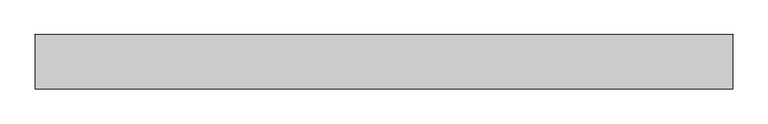
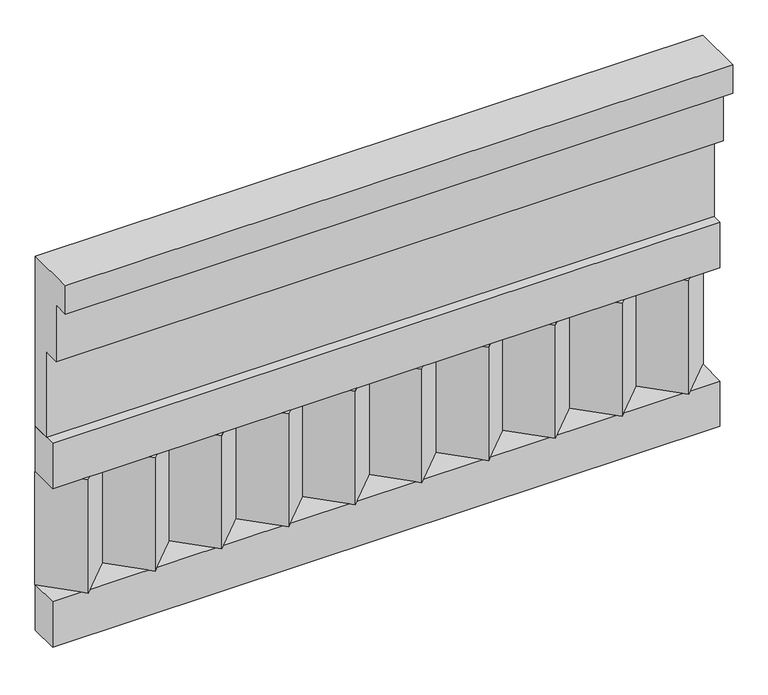
"""IFC4 building model written with IfcOpenShell, lengths in millimetres: railing geometry."""

import ifcopenshell
import ifcopenshell.guid

model = None  # the IFC model being written
_history = None  # IfcOwnerHistory: only IFC2X3 demands one
_inside = {}  # id of a spatial element -> (the spatial element, [elements in it])
_under = {}  # id of a project, library or spatial element -> (it, [spatial elements below it])
_declared = {}  # id of a project -> (the project, [libraries it declares])
_typed = {}  # id of a type object -> (the type object, [elements of that type])
_made_of = {}  # id of a material, layer set ... -> (it, [elements and type objects made of it])


def new_model(schema):
    """Start an empty IFC model of exactly this schema.

    Asked for "IFC4X3", IfcOpenShell would pick the latest addendum, in which some entities
    have other attributes; the version numbers below select the first issue.
    IFC2X3 requires an IfcOwnerHistory on every rooted entity: one is made here for all.
    """
    global model, _history
    if schema == "IFC4X3":
        model = ifcopenshell.file(schema_version=(4, 3, 0, 0))
    else:
        model = ifcopenshell.file(schema=schema)
    _inside.clear()
    _under.clear()
    _declared.clear()
    _typed.clear()
    _made_of.clear()
    _history = None
    if model.schema == "IFC2X3":
        org = make("IfcOrganization", Name="unknown")
        user = make(
            "IfcPersonAndOrganization",
            ThePerson=make("IfcPerson", FamilyName="unknown"),
            TheOrganization=org,
        )
        app = make(
            "IfcApplication",
            ApplicationDeveloper=org,
            Version="unknown",
            ApplicationFullName="unknown",
            ApplicationIdentifier="unknown",
        )
        _history = make(
            "IfcOwnerHistory",
            OwningUser=user,
            OwningApplication=app,
            ChangeAction="ADDED",
            CreationDate=0,
        )
    return model


def make(cls, **values):
    """One entity of the class cls with the attributes given. An attribute that is None is left unset."""
    return model.create_entity(
        cls, **{name: value for name, value in values.items() if value is not None}
    )


def rooted(cls, **values):
    """An entity with a GlobalId (a new one), such as an element, a storey or a relation."""
    return make(cls, GlobalId=ifcopenshell.guid.new(), OwnerHistory=_history, **values)


def si_unit(unit_type, name, prefix=None):
    """IfcSIUnit, for example si_unit("LENGTHUNIT", "METRE", prefix="MILLI")."""
    return make("IfcSIUnit", UnitType=unit_type, Prefix=prefix, Name=name)


def assignment(units):
    """IfcUnitAssignment: the units of a project."""
    return None if units is None else make("IfcUnitAssignment", Units=units)


def point(xyz):
    """IfcCartesianPoint."""
    return None if xyz is None else make("IfcCartesianPoint", Coordinates=xyz)


def direction(xyz):
    """IfcDirection."""
    return None if xyz is None else make("IfcDirection", DirectionRatios=xyz)


def frame(location, z_axis=None, x_axis=None):
    """IfcAxis2Placement3D, a coordinate frame: its origin and axes. An axis left out is left unset."""
    return make(
        "IfcAxis2Placement3D",
        Location=point(location),
        Axis=direction(z_axis),
        RefDirection=direction(x_axis),
    )


def origin():
    """The frame at (0, 0, 0) with its axes left unset."""
    return frame((0.0, 0.0, 0.0))


def place(relative_to, where):
    """IfcLocalPlacement: puts the frame where relative to a parent placement (None: the world)."""
    return make(
        "IfcLocalPlacement", PlacementRelTo=relative_to, RelativePlacement=where
    )


def context(
    kind, dimensions, precision=None, world=None, true_north=None, identifier=None
):
    """IfcGeometricRepresentationContext, for example the 3D "Model" context."""
    return make(
        "IfcGeometricRepresentationContext",
        ContextIdentifier=identifier,
        ContextType=kind,
        CoordinateSpaceDimension=dimensions,
        Precision=precision,
        WorldCoordinateSystem=world,
        TrueNorth=true_north,
    )


def project(units=None, contexts=None):
    """IfcProject with its units and contexts."""
    return rooted(
        "IfcProject",
        Name="project",
        RepresentationContexts=contexts,
        UnitsInContext=assignment(units),
    )


def spatial(cls, under=None, at=None, **own):
    """A site, building, storey or space (cls), placed at a placement, below another one or the project."""
    s = rooted(cls, ObjectPlacement=at, **own)
    if under is not None:
        _under.setdefault(under.id(), (under, []))[1].append(s)
    return s


def polyline(points):
    """IfcPolyline through the points."""
    return make("IfcPolyline", Points=[point(p) for p in points])


def outline(outer, holes=None, kind="AREA"):
    """IfcArbitraryClosedProfileDef: a profile drawn as a closed curve; with holes, ...WithVoids."""
    if holes is None:
        return make("IfcArbitraryClosedProfileDef", ProfileType=kind, OuterCurve=outer)
    return make(
        "IfcArbitraryProfileDefWithVoids",
        ProfileType=kind,
        OuterCurve=outer,
        InnerCurves=holes,
    )


def extrude(swept, where, along, depth):
    """IfcExtrudedAreaSolid: the profile swept, set in the frame where, extruded along a direction by depth."""
    return make(
        "IfcExtrudedAreaSolid",
        SweptArea=swept,
        Position=where,
        ExtrudedDirection=direction(along),
        Depth=depth,
    )


def shape(context_of_items, identifier, shape_type, items):
    """IfcShapeRepresentation: the items that make up one representation, for example the "Body"."""
    return make(
        "IfcShapeRepresentation",
        ContextOfItems=context_of_items,
        RepresentationIdentifier=identifier,
        RepresentationType=shape_type,
        Items=items,
    )


def source(mapping_origin, context_of_items, identifier, shape_type, items):
    """IfcRepresentationMap: a shape defined once, which mapped items show again and again."""
    return make(
        "IfcRepresentationMap",
        MappingOrigin=mapping_origin,
        MappedRepresentation=shape(context_of_items, identifier, shape_type, items),
    )


def transform(
    local_origin,
    x_axis=None,
    y_axis=None,
    z_axis=None,
    scale=None,
    scale2=None,
    scale3=None,
    uniform=True,
):
    """IfcCartesianTransformationOperator3D, or its non-uniform kind. x_axis, y_axis, z_axis: its Axis1, 2, 3."""
    if uniform:
        return make(
            "IfcCartesianTransformationOperator3D",
            Axis1=direction(x_axis),
            Axis2=direction(y_axis),
            LocalOrigin=point(local_origin),
            Scale=scale,
            Axis3=direction(z_axis),
        )
    return make(
        "IfcCartesianTransformationOperator3DnonUniform",
        Axis1=direction(x_axis),
        Axis2=direction(y_axis),
        LocalOrigin=point(local_origin),
        Scale=scale,
        Axis3=direction(z_axis),
        Scale2=scale2,
        Scale3=scale3,
    )


def mapped(mapping_source, mapping_target):
    """IfcMappedItem: shows the shape of a source again, moved by a transform."""
    return make(
        "IfcMappedItem", MappingSource=mapping_source, MappingTarget=mapping_target
    )


def made_of(thing, what):
    """Note that an element or type object is made of a material, layer set ...; save() writes the relation."""
    if what is not None:
        _made_of.setdefault(what.id(), (what, []))[1].append(thing)
    return thing


def element(
    cls,
    number,
    at=None,
    inside=None,
    cuts=None,
    type_object=None,
    material=None,
    context=None,
    identifier="Body",
    shape_type=None,
    held_by="IfcProductDefinitionShape",
    body=None,
    shapes=None,
    **own,
):
    """One element of the class cls, such as IfcWall. Its Tag is "e" and its number.

    at: its placement. inside: the storey or other place that contains it. cuts: it is an
    opening in that element (IfcRelVoidsElement). A single representation is given by context,
    identifier, shape_type and body (its items); several are given by shapes. held_by: the class
    of the entity that holds the representations. save() writes the other relations.
    """
    e = rooted(cls, Tag="e%d" % number, ObjectPlacement=at, **own)
    if body is not None:
        shapes = [shape(context, identifier, shape_type, body)]
    if shapes is not None:
        e.Representation = make(held_by, Representations=shapes)
    if inside is not None:
        _inside.setdefault(inside.id(), (inside, []))[1].append(e)
    if cuts is not None:
        rooted(
            "IfcRelVoidsElement", RelatingBuildingElement=cuts, RelatedOpeningElement=e
        )
    if type_object is not None:
        _typed.setdefault(type_object.id(), (type_object, []))[1].append(e)
    return made_of(e, material)


def aggregate(whole, parts):
    """IfcRelAggregates: a whole, such as a stair, and the parts it consists of."""
    return rooted("IfcRelAggregates", RelatingObject=whole, RelatedObjects=parts)


def save(model, path):
    """Write the relations noted so far, then the file.

    IfcRelAggregates (storeys below a building ...), IfcRelContainedInSpatialStructure (elements
    in a storey), IfcRelDefinesByType, IfcRelAssociatesMaterial and IfcRelDeclares: one each for
    every whole, place, type object, material and project.
    """
    for whole, parts in _under.values():
        aggregate(whole, parts)
    for where, things in _inside.values():
        rooted(
            "IfcRelContainedInSpatialStructure",
            RelatedElements=things,
            RelatingStructure=where,
        )
    for kind, things in _typed.values():
        rooted("IfcRelDefinesByType", RelatedObjects=things, RelatingType=kind)
    for what, things in _made_of.values():
        rooted("IfcRelAssociatesMaterial", RelatedObjects=things, RelatingMaterial=what)
    for by, libraries in _declared.values():
        rooted("IfcRelDeclares", RelatingContext=by, RelatedDefinitions=libraries)
    model.write(path)


def railing_4b1b5ad8(model_context):
    return source(origin(), model_context, "Body", "SweptSolid", [
        extrude(outline(polyline([(-16816.8920513, 15200.0), (-16816.8920513, 14750.0), (-16866.8920513, 14750.0), (-16866.8920513, 14975.0), (-16906.8920513, 14975.0), (-16906.8920513, 15125.0), (-16946.8920513, 15125.0), (-16946.8920513, 15200.0), (-16816.8920513, 15200.0)])), frame((-33139.9887159, 0.0, 0.0), z_axis=(1.0, 0.0, 0.0), x_axis=(0.0, 1.0, 0.0)), (0.0, 0.0, 1.0), 1670.0),
        extrude(outline(polyline([(-33139.9887159, -16891.8920513), (-33139.9887159, -16816.8920513), (-31469.9887159, -16816.8920513), (-31469.9887159, -16891.8920513), (-33139.9887159, -16891.8920513)])), frame((0.0, 0.0, 14630.0), z_axis=(0.0, 0.0, 1.0), x_axis=(1.0, 0.0, 0.0)), (0.0, 0.0, 1.0), 120.0),
        extrude(outline(polyline([(-33139.9887159, -16891.8920513), (-33139.9887159, -16816.8920513), (-31469.9887159, -16816.8920513), (-31469.9887159, -16891.8920513), (-33139.9887159, -16891.8920513)])), frame((0.0, 0.0, 14210.0), z_axis=(0.0, 0.0, 1.0), x_axis=(1.0, 0.0, 0.0)), (0.0, 0.0, 1.0), 120.0),
        extrude(outline(polyline([(-31553.4887159, -16901.7448651), (-31638.3415296, -16816.8920513), (-31468.6359022, -16816.8920513), (-31553.4887159, -16901.7448651)])), frame((0.0, 0.0, 14330.0), z_axis=(0.0, 0.0, 1.0), x_axis=(1.0, 0.0, 0.0)), (0.0, 0.0, 1.0), 300.0),
        extrude(outline(polyline([(-31720.4887159, -16901.7448651), (-31805.3415296, -16816.8920513), (-31635.6359022, -16816.8920513), (-31720.4887159, -16901.7448651)])), frame((0.0, 0.0, 14330.0), z_axis=(0.0, 0.0, 1.0), x_axis=(1.0, 0.0, 0.0)), (0.0, 0.0, 1.0), 300.0),
        extrude(outline(polyline([(-31887.4887159, -16901.7448651), (-31972.3415296, -16816.8920513), (-31802.6359022, -16816.8920513), (-31887.4887159, -16901.7448651)])), frame((0.0, 0.0, 14330.0), z_axis=(0.0, 0.0, 1.0), x_axis=(1.0, 0.0, 0.0)), (0.0, 0.0, 1.0), 300.0),
        extrude(outline(polyline([(-32054.4887159, -16901.7448651), (-32139.3415296, -16816.8920513), (-31969.6359022, -16816.8920513), (-32054.4887159, -16901.7448651)])), frame((0.0, 0.0, 14330.0), z_axis=(0.0, 0.0, 1.0), x_axis=(1.0, 0.0, 0.0)), (0.0, 0.0, 1.0), 300.0),
        extrude(outline(polyline([(-32221.4887159, -16901.7448651), (-32306.3415296, -16816.8920513), (-32136.6359022, -16816.8920513), (-32221.4887159, -16901.7448651)])), frame((0.0, 0.0, 14330.0), z_axis=(0.0, 0.0, 1.0), x_axis=(1.0, 0.0, 0.0)), (0.0, 0.0, 1.0), 300.0),
        extrude(outline(polyline([(-32388.4887159, -16901.7448651), (-32473.3415296, -16816.8920513), (-32303.6359022, -16816.8920513), (-32388.4887159, -16901.7448651)])), frame((0.0, 0.0, 14330.0), z_axis=(0.0, 0.0, 1.0), x_axis=(1.0, 0.0, 0.0)), (0.0, 0.0, 1.0), 300.0),
        extrude(outline(polyline([(-32555.4887159, -16901.7448651), (-32640.3415296, -16816.8920513), (-32470.6359022, -16816.8920513), (-32555.4887159, -16901.7448651)])), frame((0.0, 0.0, 14330.0), z_axis=(0.0, 0.0, 1.0), x_axis=(1.0, 0.0, 0.0)), (0.0, 0.0, 1.0), 300.0),
        extrude(outline(polyline([(-32722.4887159, -16901.7448651), (-32807.3415296, -16816.8920513), (-32637.6359022, -16816.8920513), (-32722.4887159, -16901.7448651)])), frame((0.0, 0.0, 14330.0), z_axis=(0.0, 0.0, 1.0), x_axis=(1.0, 0.0, 0.0)), (0.0, 0.0, 1.0), 300.0),
        extrude(outline(polyline([(-32889.4887159, -16901.7448651), (-32974.3415296, -16816.8920513), (-32804.6359022, -16816.8920513), (-32889.4887159, -16901.7448651)])), frame((0.0, 0.0, 14330.0), z_axis=(0.0, 0.0, 1.0), x_axis=(1.0, 0.0, 0.0)), (0.0, 0.0, 1.0), 300.0),
        extrude(outline(polyline([(-33056.4887159, -16901.7448651), (-33141.3415296, -16816.8920513), (-32971.6359022, -16816.8920513), (-33056.4887159, -16901.7448651)])), frame((0.0, 0.0, 14330.0), z_axis=(0.0, 0.0, 1.0), x_axis=(1.0, 0.0, 0.0)), (0.0, 0.0, 1.0), 300.0),
    ])


if __name__ == "__main__":
    model = new_model("IFC4")
    model_context = context("Model", 3, world=origin())
    ifc_project = project(units=[si_unit("LENGTHUNIT", "METRE", prefix="MILLI")], contexts=[model_context])
    site = spatial("IfcSite", under=ifc_project)
    building = spatial("IfcBuilding", under=site)
    placement = place(None, origin())
    railing_shape = railing_4b1b5ad8(model_context)
    element("IfcRailing", 1, at=placement, inside=building, context=model_context, shape_type="MappedRepresentation", body=[
        mapped(railing_shape, transform((0.0, 0.0, 0.0), x_axis=(1.0, 0.0, 0.0), y_axis=(0.0, 1.0, 0.0), z_axis=(0.0, 0.0, 1.0))),
    ])
    save(model, "model.ifc")
